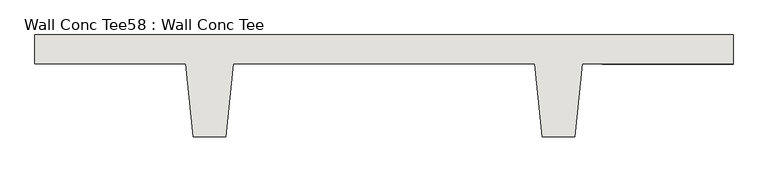
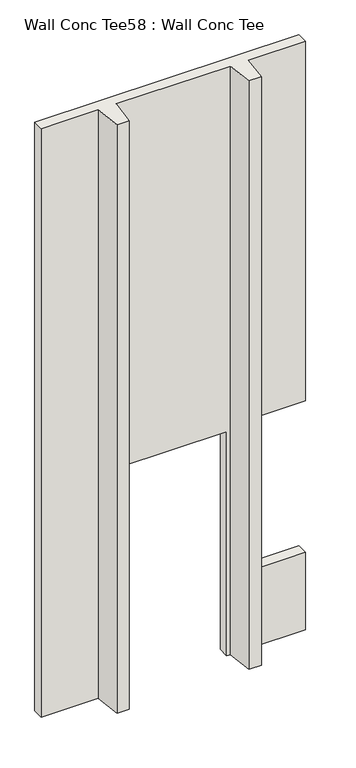
"""IFC4 building model written with IfcOpenShell, lengths in millimetres: wall geometry, Wall Conc Tee58 : Wall Conc Tee."""

import ifcopenshell
import ifcopenshell.guid

model = None  # the IFC model being written
_history = None  # IfcOwnerHistory: only IFC2X3 demands one
_inside = {}  # id of a spatial element -> (the spatial element, [elements in it])
_under = {}  # id of a project, library or spatial element -> (it, [spatial elements below it])
_declared = {}  # id of a project -> (the project, [libraries it declares])
_typed = {}  # id of a type object -> (the type object, [elements of that type])
_made_of = {}  # id of a material, layer set ... -> (it, [elements and type objects made of it])


def new_model(schema):
    """Start an empty IFC model of exactly this schema.

    Asked for "IFC4X3", IfcOpenShell would pick the latest addendum, in which some entities
    have other attributes; the version numbers below select the first issue.
    IFC2X3 requires an IfcOwnerHistory on every rooted entity: one is made here for all.
    """
    global model, _history
    if schema == "IFC4X3":
        model = ifcopenshell.file(schema_version=(4, 3, 0, 0))
    else:
        model = ifcopenshell.file(schema=schema)
    _inside.clear()
    _under.clear()
    _declared.clear()
    _typed.clear()
    _made_of.clear()
    _history = None
    if model.schema == "IFC2X3":
        org = make("IfcOrganization", Name="unknown")
        user = make(
            "IfcPersonAndOrganization",
            ThePerson=make("IfcPerson", FamilyName="unknown"),
            TheOrganization=org,
        )
        app = make(
            "IfcApplication",
            ApplicationDeveloper=org,
            Version="unknown",
            ApplicationFullName="unknown",
            ApplicationIdentifier="unknown",
        )
        _history = make(
            "IfcOwnerHistory",
            OwningUser=user,
            OwningApplication=app,
            ChangeAction="ADDED",
            CreationDate=0,
        )
    return model


def make(cls, **values):
    """One entity of the class cls with the attributes given. An attribute that is None is left unset."""
    return model.create_entity(
        cls, **{name: value for name, value in values.items() if value is not None}
    )


def rooted(cls, **values):
    """An entity with a GlobalId (a new one), such as an element, a storey or a relation."""
    return make(cls, GlobalId=ifcopenshell.guid.new(), OwnerHistory=_history, **values)


def si_unit(unit_type, name, prefix=None):
    """IfcSIUnit, for example si_unit("LENGTHUNIT", "METRE", prefix="MILLI")."""
    return make("IfcSIUnit", UnitType=unit_type, Prefix=prefix, Name=name)


def assignment(units):
    """IfcUnitAssignment: the units of a project."""
    return None if units is None else make("IfcUnitAssignment", Units=units)


def point(xyz):
    """IfcCartesianPoint."""
    return None if xyz is None else make("IfcCartesianPoint", Coordinates=xyz)


def direction(xyz):
    """IfcDirection."""
    return None if xyz is None else make("IfcDirection", DirectionRatios=xyz)


def frame(location, z_axis=None, x_axis=None):
    """IfcAxis2Placement3D, a coordinate frame: its origin and axes. An axis left out is left unset."""
    return make(
        "IfcAxis2Placement3D",
        Location=point(location),
        Axis=direction(z_axis),
        RefDirection=direction(x_axis),
    )


def origin():
    """The frame at (0, 0, 0) with its axes left unset."""
    return frame((0.0, 0.0, 0.0))


def place(relative_to, where):
    """IfcLocalPlacement: puts the frame where relative to a parent placement (None: the world)."""
    return make(
        "IfcLocalPlacement", PlacementRelTo=relative_to, RelativePlacement=where
    )


def context(
    kind, dimensions, precision=None, world=None, true_north=None, identifier=None
):
    """IfcGeometricRepresentationContext, for example the 3D "Model" context."""
    return make(
        "IfcGeometricRepresentationContext",
        ContextIdentifier=identifier,
        ContextType=kind,
        CoordinateSpaceDimension=dimensions,
        Precision=precision,
        WorldCoordinateSystem=world,
        TrueNorth=true_north,
    )


def project(units=None, contexts=None):
    """IfcProject with its units and contexts."""
    return rooted(
        "IfcProject",
        Name="project",
        RepresentationContexts=contexts,
        UnitsInContext=assignment(units),
    )


def spatial(cls, under=None, at=None, **own):
    """A site, building, storey or space (cls), placed at a placement, below another one or the project."""
    s = rooted(cls, ObjectPlacement=at, **own)
    if under is not None:
        _under.setdefault(under.id(), (under, []))[1].append(s)
    return s


def faces_of(points, faces, orient=None, outer=None):
    """IfcFace entities. A face is a list of loops; a loop is a list of indices into points, from 0.

    orient and outer hold one flag for each loop. By default every Orientation is true, the
    first loop of a face is its IfcFaceOuterBound and the others are IfcFaceBound.
    """
    made = []
    for i, loops in enumerate(faces):
        bounds = []
        for j, loop in enumerate(loops):
            is_outer = j == 0 if outer is None else outer[i][j]
            bounds.append(
                make(
                    "IfcFaceOuterBound" if is_outer else "IfcFaceBound",
                    Bound=make("IfcPolyLoop", Polygon=[points[k] for k in loop]),
                    Orientation=True if orient is None else orient[i][j],
                )
            )
        made.append(make("IfcFace", Bounds=bounds))
    return made


def faceted_brep(points, faces, orient=None, outer=None, voids=None):
    """IfcFacetedBrep: a solid bounded by flat faces; with voids (closed shells), ...WithVoids."""
    shared = [point(p) for p in points]
    hull = make("IfcClosedShell", CfsFaces=faces_of(shared, faces, orient, outer))
    if voids is None:
        return make("IfcFacetedBrep", Outer=hull)
    return make(
        "IfcFacetedBrepWithVoids",
        Outer=hull,
        Voids=[
            make(cls, CfsFaces=faces_of(shared, fs, o, b)) for cls, fs, o, b in voids
        ],
    )


def shape(context_of_items, identifier, shape_type, items):
    """IfcShapeRepresentation: the items that make up one representation, for example the "Body"."""
    return make(
        "IfcShapeRepresentation",
        ContextOfItems=context_of_items,
        RepresentationIdentifier=identifier,
        RepresentationType=shape_type,
        Items=items,
    )


def source(mapping_origin, context_of_items, identifier, shape_type, items):
    """IfcRepresentationMap: a shape defined once, which mapped items show again and again."""
    return make(
        "IfcRepresentationMap",
        MappingOrigin=mapping_origin,
        MappedRepresentation=shape(context_of_items, identifier, shape_type, items),
    )


def transform(
    local_origin,
    x_axis=None,
    y_axis=None,
    z_axis=None,
    scale=None,
    scale2=None,
    scale3=None,
    uniform=True,
):
    """IfcCartesianTransformationOperator3D, or its non-uniform kind. x_axis, y_axis, z_axis: its Axis1, 2, 3."""
    if uniform:
        return make(
            "IfcCartesianTransformationOperator3D",
            Axis1=direction(x_axis),
            Axis2=direction(y_axis),
            LocalOrigin=point(local_origin),
            Scale=scale,
            Axis3=direction(z_axis),
        )
    return make(
        "IfcCartesianTransformationOperator3DnonUniform",
        Axis1=direction(x_axis),
        Axis2=direction(y_axis),
        LocalOrigin=point(local_origin),
        Scale=scale,
        Axis3=direction(z_axis),
        Scale2=scale2,
        Scale3=scale3,
    )


def mapped(mapping_source, mapping_target):
    """IfcMappedItem: shows the shape of a source again, moved by a transform."""
    return make(
        "IfcMappedItem", MappingSource=mapping_source, MappingTarget=mapping_target
    )


def made_of(thing, what):
    """Note that an element or type object is made of a material, layer set ...; save() writes the relation."""
    if what is not None:
        _made_of.setdefault(what.id(), (what, []))[1].append(thing)
    return thing


def element(
    cls,
    number,
    at=None,
    inside=None,
    cuts=None,
    type_object=None,
    material=None,
    context=None,
    identifier="Body",
    shape_type=None,
    held_by="IfcProductDefinitionShape",
    body=None,
    shapes=None,
    **own,
):
    """One element of the class cls, such as IfcWall. Its Tag is "e" and its number.

    at: its placement. inside: the storey or other place that contains it. cuts: it is an
    opening in that element (IfcRelVoidsElement). A single representation is given by context,
    identifier, shape_type and body (its items); several are given by shapes. held_by: the class
    of the entity that holds the representations. save() writes the other relations.
    """
    e = rooted(cls, Tag="e%d" % number, ObjectPlacement=at, **own)
    if body is not None:
        shapes = [shape(context, identifier, shape_type, body)]
    if shapes is not None:
        e.Representation = make(held_by, Representations=shapes)
    if inside is not None:
        _inside.setdefault(inside.id(), (inside, []))[1].append(e)
    if cuts is not None:
        rooted(
            "IfcRelVoidsElement", RelatingBuildingElement=cuts, RelatedOpeningElement=e
        )
    if type_object is not None:
        _typed.setdefault(type_object.id(), (type_object, []))[1].append(e)
    return made_of(e, material)


def aggregate(whole, parts):
    """IfcRelAggregates: a whole, such as a stair, and the parts it consists of."""
    return rooted("IfcRelAggregates", RelatingObject=whole, RelatedObjects=parts)


def save(model, path):
    """Write the relations noted so far, then the file.

    IfcRelAggregates (storeys below a building ...), IfcRelContainedInSpatialStructure (elements
    in a storey), IfcRelDefinesByType, IfcRelAssociatesMaterial and IfcRelDeclares: one each for
    every whole, place, type object, material and project.
    """
    for whole, parts in _under.values():
        aggregate(whole, parts)
    for where, things in _inside.values():
        rooted(
            "IfcRelContainedInSpatialStructure",
            RelatedElements=things,
            RelatingStructure=where,
        )
    for kind, things in _typed.values():
        rooted("IfcRelDefinesByType", RelatedObjects=things, RelatingType=kind)
    for what, things in _made_of.values():
        rooted("IfcRelAssociatesMaterial", RelatedObjects=things, RelatingMaterial=what)
    for by, libraries in _declared.values():
        rooted("IfcRelDeclares", RelatingContext=by, RelatedDefinitions=libraries)
    model.write(path)


def wall_conc_tee58_wall_conc_tee_b37df1bb(model_context):
    return source(origin(), model_context, "Body", "Brep", [
        faceted_brep([(202400.6728488, 159042.8596581, 5884.1592564), (199962.2728488, 159042.8596581, 5884.1592564), (199962.2728488, 158941.2596581, 5884.1592564), (200489.3228488, 158941.2596581, 5884.1592564), (200514.7228488, 158687.2596581, 5884.1592564), (200629.0228488, 158687.2596581, 5884.1592564), (200654.4228488, 158941.2596581, 5884.1592564), (201708.5228488, 158941.2596581, 5884.1592564), (201733.9228488, 158687.2596581, 5884.1592564), (201848.2228488, 158687.2596581, 5884.1592564), (201873.6228488, 158941.2596581, 5884.1592564), (202400.6728488, 158941.2596581, 5884.1592564), (202400.6728488, 159042.8596581, 143.7592564), (202400.6728488, 158941.2596581, 143.7592564), (201873.6228488, 158941.2596581, 143.7592564), (201848.2228488, 158687.2596581, 143.7592564), (201733.9228488, 158687.2596581, 143.7592564), (201708.5228488, 158941.2596581, 143.7592564), (201675.1853488, 158941.2596581, 143.7592564), (201675.1853488, 159042.8596581, 143.7592564), (200629.0228488, 158687.2596581, 143.7592564), (200514.7228488, 158687.2596581, 143.7592564), (200489.3228488, 158941.2596581, 143.7592564), (199962.2728488, 158941.2596581, 143.7592564), (199962.2728488, 159042.8596581, 143.7592564), (200649.6603488, 159042.8596581, 143.7592564), (200649.6603488, 158937.1956581, 143.7592564), (200654.0164488, 158937.1956581, 143.7592564), (202400.6728488, 159042.8596581, 2378.9592564), (201943.4728488, 159042.8596581, 2378.9592564), (201943.4728488, 159042.8596581, 899.4092564), (202400.6728488, 159042.8596581, 899.4092564), (201675.1853488, 159042.8596581, 2328.1592564), (200649.6603488, 159042.8596581, 2328.1592564), (200654.0164488, 158937.1956581, 2328.1592564), (200654.4228488, 158941.2596581, 2328.1592564), (201675.1853488, 158941.2596581, 2328.1592564), (202400.6728488, 158941.2596581, 899.4092564), (201943.4728488, 158941.2596581, 899.4092564), (201943.4728488, 158941.2596581, 2378.9592564), (202400.6728488, 158941.2596581, 2378.9592564), (200649.6603488, 158937.1956581, 2328.1592564)], [[[0, 1, 2, 3, 4, 5, 6, 7, 8, 9, 10, 11]], [[12, 13, 14, 15, 16, 17, 18, 19]], [[20, 21, 22, 23, 24, 25, 26, 27]], [[1, 0, 28, 29, 30, 31, 12, 19, 32, 33, 25, 24]], [[2, 1, 24, 23]], [[3, 2, 23, 22]], [[4, 3, 22, 21]], [[5, 4, 21, 20]], [[6, 5, 20, 27, 34, 35]], [[7, 6, 35, 36, 18, 17]], [[8, 7, 17, 16]], [[9, 8, 16, 15]], [[10, 9, 15, 14]], [[11, 10, 14, 13, 37, 38, 39, 40]], [[0, 11, 40, 28]], [[13, 12, 31, 37]], [[26, 41, 34, 27]], [[41, 26, 25, 33]], [[34, 41, 33, 32, 36, 35]], [[36, 32, 19, 18]], [[30, 38, 37, 31]], [[38, 30, 29, 39]], [[39, 29, 28, 40]]]),
    ])


if __name__ == "__main__":
    model = new_model("IFC4")
    model_context = context("Model", 3, world=origin())
    ifc_project = project(units=[si_unit("LENGTHUNIT", "METRE", prefix="MILLI")], contexts=[model_context])
    site = spatial("IfcSite", under=ifc_project)
    building = spatial("IfcBuilding", under=site)
    placement = place(None, origin())
    wall_conc_tee58_wall_conc_tee_shape = wall_conc_tee58_wall_conc_tee_b37df1bb(model_context)
    element("IfcWall", 1, ObjectType="Wall Conc Tee58 : Wall Conc Tee", at=placement, inside=building, context=model_context, shape_type="MappedRepresentation", body=[
        mapped(wall_conc_tee58_wall_conc_tee_shape, transform((0.0, 0.0, 0.0), x_axis=(1.0, 0.0, 0.0), y_axis=(0.0, 1.0, 0.0), z_axis=(0.0, 0.0, 1.0))),
    ])
    save(model, "model.ifc")
